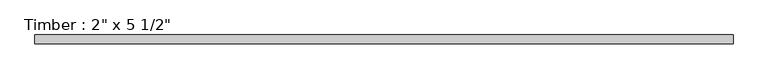
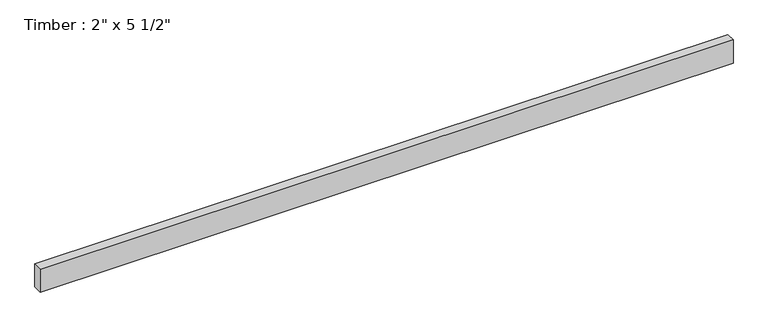
"""IFC4 building model written with IfcOpenShell, lengths in millimetres: beam geometry."""

from ifc_helpers import new_model, si_unit, frame, origin, place, context, project, spatial, polyline, outline, extrude, source, transform, mapped, element, save


def beam_edec5846(model_context):
    return source(origin(), model_context, "Body", "SweptSolid", [
        extrude(outline(polyline([(1985.8378845, 25.4), (1985.8378845, -25.4), (-1985.8378845, -25.4), (-1985.8378845, 25.4), (1985.8378845, 25.4)])), frame((0.0, 0.0, -69.85), z_axis=(0.0, 0.0, 1.0), x_axis=(1.0, 0.0, 0.0)), (0.0, 0.0, 1.0), 139.7),
    ])


if __name__ == "__main__":
    model = new_model("IFC4")
    model_context = context("Model", 3, world=origin())
    ifc_project = project(units=[si_unit("LENGTHUNIT", "METRE", prefix="MILLI")], contexts=[model_context])
    site = spatial("IfcSite", under=ifc_project)
    building = spatial("IfcBuilding", under=site)
    placement = place(None, origin())
    beam_shape = beam_edec5846(model_context)
    element("IfcBeam", 1, ObjectType="Timber : 2\" x 5 1/2\"", at=placement, inside=building, context=model_context, shape_type="MappedRepresentation", body=[
        mapped(beam_shape, transform((0.0, 0.0, 0.0), x_axis=(1.0, 0.0, 0.0), y_axis=(0.0, 1.0, 0.0), z_axis=(0.0, 0.0, 1.0))),
    ])
    save(model, "model.ifc")
